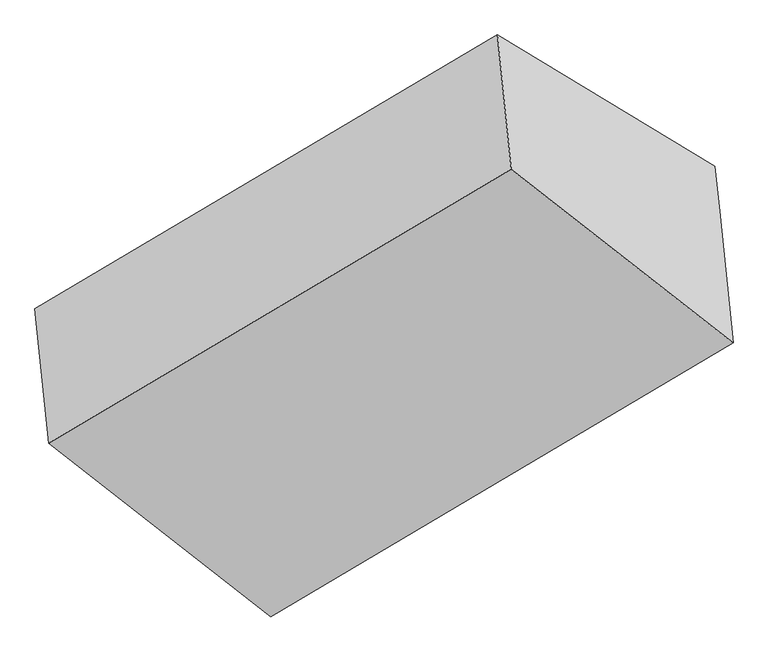
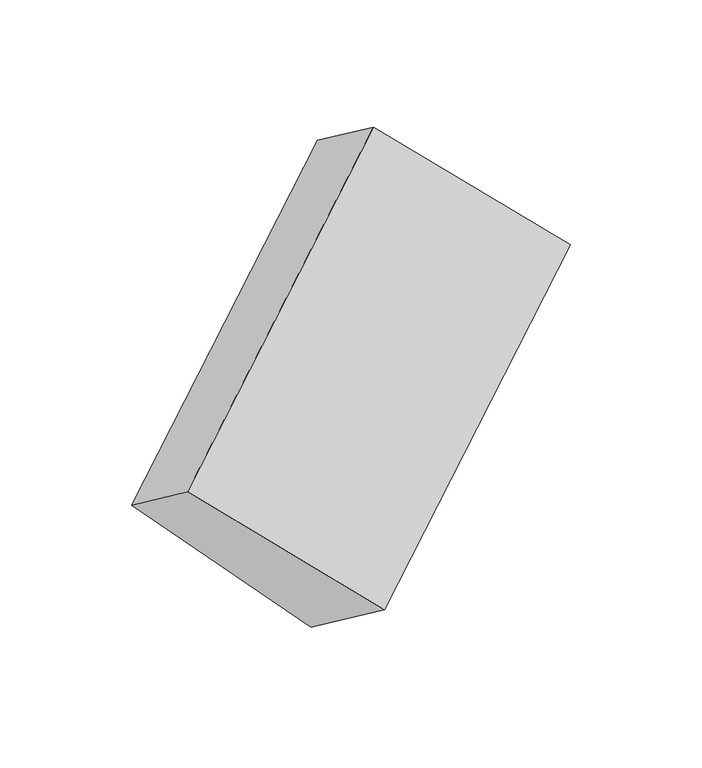
"""IFC4 building model written with IfcOpenShell, lengths in millimetres: proxy geometry."""

from ifc_helpers import new_model, si_unit, origin, place, context, project, spatial, faceted_brep, source, transform, mapped, element, save


def generic_models_30a18c0a(model_context):
    return source(origin(), model_context, "Body", "Brep", [
        faceted_brep([(-3791.9339956, -1569.6085085, 1599.0638308), (-3752.2583433, -1954.8771201, 1885.1738129), (-2425.9592315, -1169.3012269, 2751.9347605), (-2465.6348838, -784.0326154, 2465.8247784), (-3168.3879057, -1946.4698132, 1005.1228987), (-1842.0887939, -1160.89392, 1871.8838463), (-3155.2045346, -2074.4863366, 1100.1911293), (-1828.9054228, -1288.9104434, 1966.9520769), (-3116.3298569, -2451.9771202, 1380.5251044), (-1790.0307451, -1666.401227, 2247.286052)], [[[0, 1, 2, 3]], [[4, 0, 5]], [[6, 4, 5, 7]], [[8, 6, 7, 9]], [[1, 8, 9, 2]], [[7, 5, 3, 2, 9]], [[1, 0, 4, 6, 8]], [[3, 5, 0]]]),
    ])


if __name__ == "__main__":
    model = new_model("IFC4")
    model_context = context("Model", 3, world=origin())
    ifc_project = project(units=[si_unit("LENGTHUNIT", "METRE", prefix="MILLI")], contexts=[model_context])
    site = spatial("IfcSite", under=ifc_project)
    building = spatial("IfcBuilding", under=site)
    placement = place(None, origin())
    generic_models_shape = generic_models_30a18c0a(model_context)
    element("IfcBuildingElementProxy", 1, Name="Generic Models", at=placement, inside=building, context=model_context, shape_type="MappedRepresentation", body=[
        mapped(generic_models_shape, transform((0.0, 0.0, 0.0), x_axis=(1.0, 0.0, 0.0), y_axis=(0.0, 1.0, 0.0), z_axis=(0.0, 0.0, 1.0))),
    ])
    save(model, "model.ifc")
